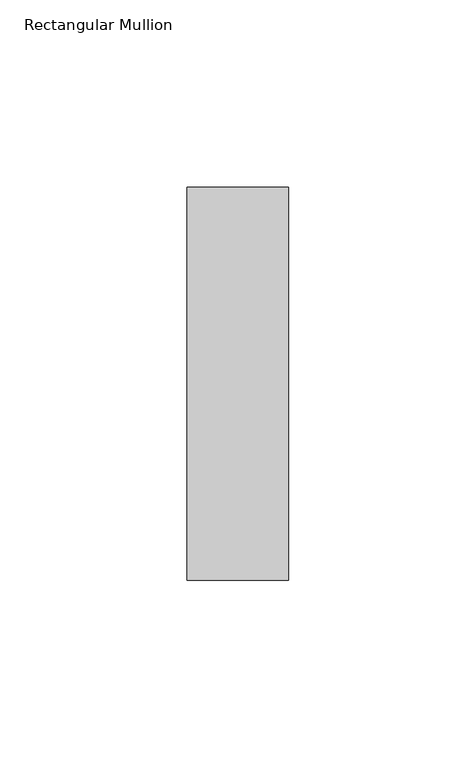
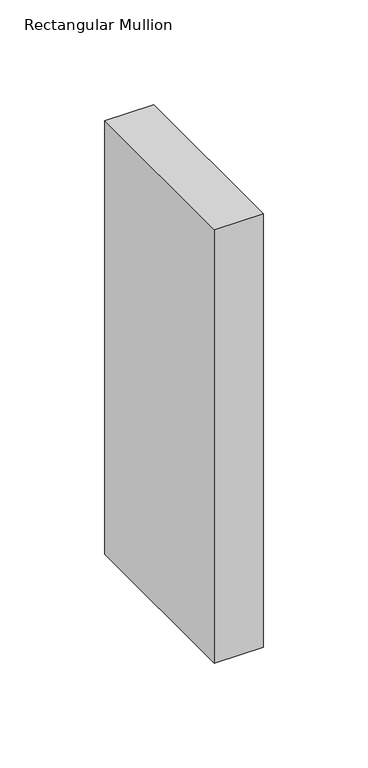
"""IFC4 building model written with IfcOpenShell, lengths in millimetres: member geometry, Rectangular Mullion."""

import ifcopenshell
import ifcopenshell.guid

model = None  # the IFC model being written
_history = None  # IfcOwnerHistory: only IFC2X3 demands one
_inside = {}  # id of a spatial element -> (the spatial element, [elements in it])
_under = {}  # id of a project, library or spatial element -> (it, [spatial elements below it])
_declared = {}  # id of a project -> (the project, [libraries it declares])
_typed = {}  # id of a type object -> (the type object, [elements of that type])
_made_of = {}  # id of a material, layer set ... -> (it, [elements and type objects made of it])


def new_model(schema):
    """Start an empty IFC model of exactly this schema.

    Asked for "IFC4X3", IfcOpenShell would pick the latest addendum, in which some entities
    have other attributes; the version numbers below select the first issue.
    IFC2X3 requires an IfcOwnerHistory on every rooted entity: one is made here for all.
    """
    global model, _history
    if schema == "IFC4X3":
        model = ifcopenshell.file(schema_version=(4, 3, 0, 0))
    else:
        model = ifcopenshell.file(schema=schema)
    _inside.clear()
    _under.clear()
    _declared.clear()
    _typed.clear()
    _made_of.clear()
    _history = None
    if model.schema == "IFC2X3":
        org = make("IfcOrganization", Name="unknown")
        user = make(
            "IfcPersonAndOrganization",
            ThePerson=make("IfcPerson", FamilyName="unknown"),
            TheOrganization=org,
        )
        app = make(
            "IfcApplication",
            ApplicationDeveloper=org,
            Version="unknown",
            ApplicationFullName="unknown",
            ApplicationIdentifier="unknown",
        )
        _history = make(
            "IfcOwnerHistory",
            OwningUser=user,
            OwningApplication=app,
            ChangeAction="ADDED",
            CreationDate=0,
        )
    return model


def make(cls, **values):
    """One entity of the class cls with the attributes given. An attribute that is None is left unset."""
    return model.create_entity(
        cls, **{name: value for name, value in values.items() if value is not None}
    )


def rooted(cls, **values):
    """An entity with a GlobalId (a new one), such as an element, a storey or a relation."""
    return make(cls, GlobalId=ifcopenshell.guid.new(), OwnerHistory=_history, **values)


def si_unit(unit_type, name, prefix=None):
    """IfcSIUnit, for example si_unit("LENGTHUNIT", "METRE", prefix="MILLI")."""
    return make("IfcSIUnit", UnitType=unit_type, Prefix=prefix, Name=name)


def assignment(units):
    """IfcUnitAssignment: the units of a project."""
    return None if units is None else make("IfcUnitAssignment", Units=units)


def point(xyz):
    """IfcCartesianPoint."""
    return None if xyz is None else make("IfcCartesianPoint", Coordinates=xyz)


def direction(xyz):
    """IfcDirection."""
    return None if xyz is None else make("IfcDirection", DirectionRatios=xyz)


def frame(location, z_axis=None, x_axis=None):
    """IfcAxis2Placement3D, a coordinate frame: its origin and axes. An axis left out is left unset."""
    return make(
        "IfcAxis2Placement3D",
        Location=point(location),
        Axis=direction(z_axis),
        RefDirection=direction(x_axis),
    )


def origin():
    """The frame at (0, 0, 0) with its axes left unset."""
    return frame((0.0, 0.0, 0.0))


def place(relative_to, where):
    """IfcLocalPlacement: puts the frame where relative to a parent placement (None: the world)."""
    return make(
        "IfcLocalPlacement", PlacementRelTo=relative_to, RelativePlacement=where
    )


def context(
    kind, dimensions, precision=None, world=None, true_north=None, identifier=None
):
    """IfcGeometricRepresentationContext, for example the 3D "Model" context."""
    return make(
        "IfcGeometricRepresentationContext",
        ContextIdentifier=identifier,
        ContextType=kind,
        CoordinateSpaceDimension=dimensions,
        Precision=precision,
        WorldCoordinateSystem=world,
        TrueNorth=true_north,
    )


def project(units=None, contexts=None):
    """IfcProject with its units and contexts."""
    return rooted(
        "IfcProject",
        Name="project",
        RepresentationContexts=contexts,
        UnitsInContext=assignment(units),
    )


def spatial(cls, under=None, at=None, **own):
    """A site, building, storey or space (cls), placed at a placement, below another one or the project."""
    s = rooted(cls, ObjectPlacement=at, **own)
    if under is not None:
        _under.setdefault(under.id(), (under, []))[1].append(s)
    return s


def polyline(points):
    """IfcPolyline through the points."""
    return make("IfcPolyline", Points=[point(p) for p in points])


def outline(outer, holes=None, kind="AREA"):
    """IfcArbitraryClosedProfileDef: a profile drawn as a closed curve; with holes, ...WithVoids."""
    if holes is None:
        return make("IfcArbitraryClosedProfileDef", ProfileType=kind, OuterCurve=outer)
    return make(
        "IfcArbitraryProfileDefWithVoids",
        ProfileType=kind,
        OuterCurve=outer,
        InnerCurves=holes,
    )


def extrude(swept, where, along, depth):
    """IfcExtrudedAreaSolid: the profile swept, set in the frame where, extruded along a direction by depth."""
    return make(
        "IfcExtrudedAreaSolid",
        SweptArea=swept,
        Position=where,
        ExtrudedDirection=direction(along),
        Depth=depth,
    )


def shape(context_of_items, identifier, shape_type, items):
    """IfcShapeRepresentation: the items that make up one representation, for example the "Body"."""
    return make(
        "IfcShapeRepresentation",
        ContextOfItems=context_of_items,
        RepresentationIdentifier=identifier,
        RepresentationType=shape_type,
        Items=items,
    )


def source(mapping_origin, context_of_items, identifier, shape_type, items):
    """IfcRepresentationMap: a shape defined once, which mapped items show again and again."""
    return make(
        "IfcRepresentationMap",
        MappingOrigin=mapping_origin,
        MappedRepresentation=shape(context_of_items, identifier, shape_type, items),
    )


def transform(
    local_origin,
    x_axis=None,
    y_axis=None,
    z_axis=None,
    scale=None,
    scale2=None,
    scale3=None,
    uniform=True,
):
    """IfcCartesianTransformationOperator3D, or its non-uniform kind. x_axis, y_axis, z_axis: its Axis1, 2, 3."""
    if uniform:
        return make(
            "IfcCartesianTransformationOperator3D",
            Axis1=direction(x_axis),
            Axis2=direction(y_axis),
            LocalOrigin=point(local_origin),
            Scale=scale,
            Axis3=direction(z_axis),
        )
    return make(
        "IfcCartesianTransformationOperator3DnonUniform",
        Axis1=direction(x_axis),
        Axis2=direction(y_axis),
        LocalOrigin=point(local_origin),
        Scale=scale,
        Axis3=direction(z_axis),
        Scale2=scale2,
        Scale3=scale3,
    )


def mapped(mapping_source, mapping_target):
    """IfcMappedItem: shows the shape of a source again, moved by a transform."""
    return make(
        "IfcMappedItem", MappingSource=mapping_source, MappingTarget=mapping_target
    )


def made_of(thing, what):
    """Note that an element or type object is made of a material, layer set ...; save() writes the relation."""
    if what is not None:
        _made_of.setdefault(what.id(), (what, []))[1].append(thing)
    return thing


def element(
    cls,
    number,
    at=None,
    inside=None,
    cuts=None,
    type_object=None,
    material=None,
    context=None,
    identifier="Body",
    shape_type=None,
    held_by="IfcProductDefinitionShape",
    body=None,
    shapes=None,
    **own,
):
    """One element of the class cls, such as IfcWall. Its Tag is "e" and its number.

    at: its placement. inside: the storey or other place that contains it. cuts: it is an
    opening in that element (IfcRelVoidsElement). A single representation is given by context,
    identifier, shape_type and body (its items); several are given by shapes. held_by: the class
    of the entity that holds the representations. save() writes the other relations.
    """
    e = rooted(cls, Tag="e%d" % number, ObjectPlacement=at, **own)
    if body is not None:
        shapes = [shape(context, identifier, shape_type, body)]
    if shapes is not None:
        e.Representation = make(held_by, Representations=shapes)
    if inside is not None:
        _inside.setdefault(inside.id(), (inside, []))[1].append(e)
    if cuts is not None:
        rooted(
            "IfcRelVoidsElement", RelatingBuildingElement=cuts, RelatedOpeningElement=e
        )
    if type_object is not None:
        _typed.setdefault(type_object.id(), (type_object, []))[1].append(e)
    return made_of(e, material)


def aggregate(whole, parts):
    """IfcRelAggregates: a whole, such as a stair, and the parts it consists of."""
    return rooted("IfcRelAggregates", RelatingObject=whole, RelatedObjects=parts)


def save(model, path):
    """Write the relations noted so far, then the file.

    IfcRelAggregates (storeys below a building ...), IfcRelContainedInSpatialStructure (elements
    in a storey), IfcRelDefinesByType, IfcRelAssociatesMaterial and IfcRelDeclares: one each for
    every whole, place, type object, material and project.
    """
    for whole, parts in _under.values():
        aggregate(whole, parts)
    for where, things in _inside.values():
        rooted(
            "IfcRelContainedInSpatialStructure",
            RelatedElements=things,
            RelatingStructure=where,
        )
    for kind, things in _typed.values():
        rooted("IfcRelDefinesByType", RelatedObjects=things, RelatingType=kind)
    for what, things in _made_of.values():
        rooted("IfcRelAssociatesMaterial", RelatedObjects=things, RelatingMaterial=what)
    for by, libraries in _declared.values():
        rooted("IfcRelDeclares", RelatingContext=by, RelatedDefinitions=libraries)
    model.write(path)


def rectangular_mullion_dc04f521(model_context):
    return source(origin(), model_context, "Body", "SweptSolid", [
        extrude(outline(polyline([(0.0, 52.3975), (0.0, -52.3975), (-27.0, -52.3975), (-27.0, 52.3975), (0.0, 52.3975)])), frame((0.0, 0.0, -253.0), z_axis=(0.0, 0.0, 1.0), x_axis=(1.0, 0.0, 0.0)), (0.0, 0.0, 1.0), 253.0),
    ])


if __name__ == "__main__":
    model = new_model("IFC4")
    model_context = context("Model", 3, world=origin())
    ifc_project = project(units=[si_unit("LENGTHUNIT", "METRE", prefix="MILLI")], contexts=[model_context])
    site = spatial("IfcSite", under=ifc_project)
    building = spatial("IfcBuilding", under=site)
    placement = place(None, origin())
    rectangular_mullion_shape = rectangular_mullion_dc04f521(model_context)
    element("IfcMember", 1, ObjectType="Rectangular Mullion", at=placement, inside=building, context=model_context, shape_type="MappedRepresentation", body=[
        mapped(rectangular_mullion_shape, transform((0.0, 0.0, 0.0), x_axis=(1.0, 0.0, 0.0), y_axis=(0.0, 1.0, 0.0), z_axis=(0.0, 0.0, 1.0))),
    ])
    save(model, "model.ifc")
